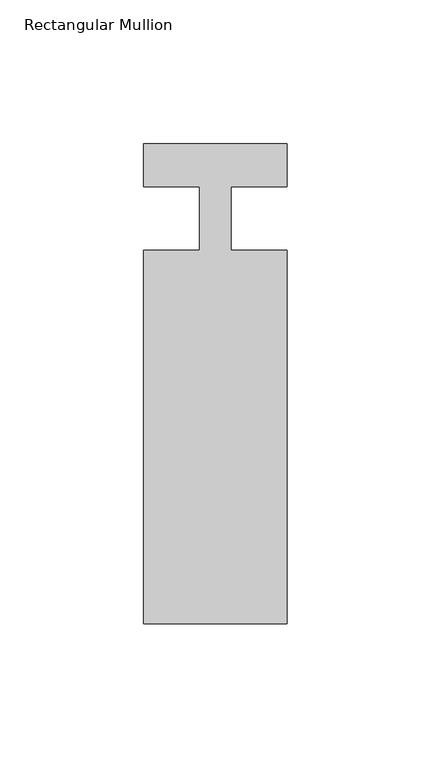
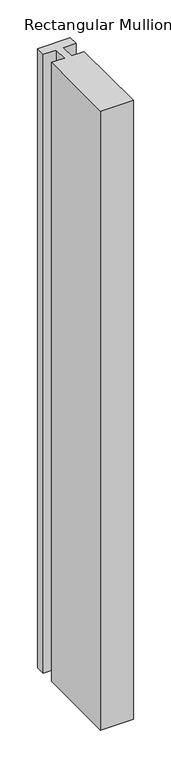
"""IFC4 building model written with IfcOpenShell, lengths in millimetres: member geometry, Rectangular Mullion."""

from ifc_helpers import new_model, si_unit, frame, origin, place, context, project, spatial, polyline, outline, extrude, source, transform, mapped, element, save


def rectangular_mullion_8bf99bcb(model_context):
    return source(origin(), model_context, "Body", "SweptSolid", [
        extrude(outline(polyline([(25.0, -141.0), (-25.0, -141.0), (-25.0, -11.0), (-5.4999998, -11.0), (-5.4999998, 11.0), (-25.0, 11.0), (-25.0, 26.0), (25.0, 26.0), (25.0, 11.0), (5.5, 11.0), (5.5, -11.0), (25.0, -11.0), (25.0, -141.0)])), frame((0.0, 0.0, -1000.0), z_axis=(0.0, 0.0, 1.0), x_axis=(1.0, 0.0, 0.0)), (0.0, 0.0, 1.0), 1000.0),
    ])


if __name__ == "__main__":
    model = new_model("IFC4")
    model_context = context("Model", 3, world=origin())
    ifc_project = project(units=[si_unit("LENGTHUNIT", "METRE", prefix="MILLI")], contexts=[model_context])
    site = spatial("IfcSite", under=ifc_project)
    building = spatial("IfcBuilding", under=site)
    placement = place(None, origin())
    rectangular_mullion_shape = rectangular_mullion_8bf99bcb(model_context)
    element("IfcMember", 1, ObjectType="Rectangular Mullion", at=placement, inside=building, context=model_context, shape_type="MappedRepresentation", body=[
        mapped(rectangular_mullion_shape, transform((0.0, 0.0, 0.0), x_axis=(1.0, 0.0, 0.0), y_axis=(0.0, 1.0, 0.0), z_axis=(0.0, 0.0, 1.0))),
    ])
    save(model, "model.ifc")
